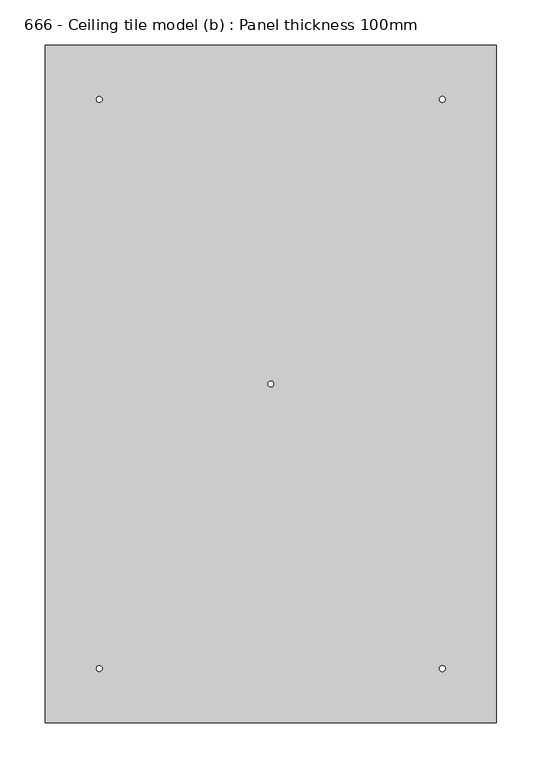
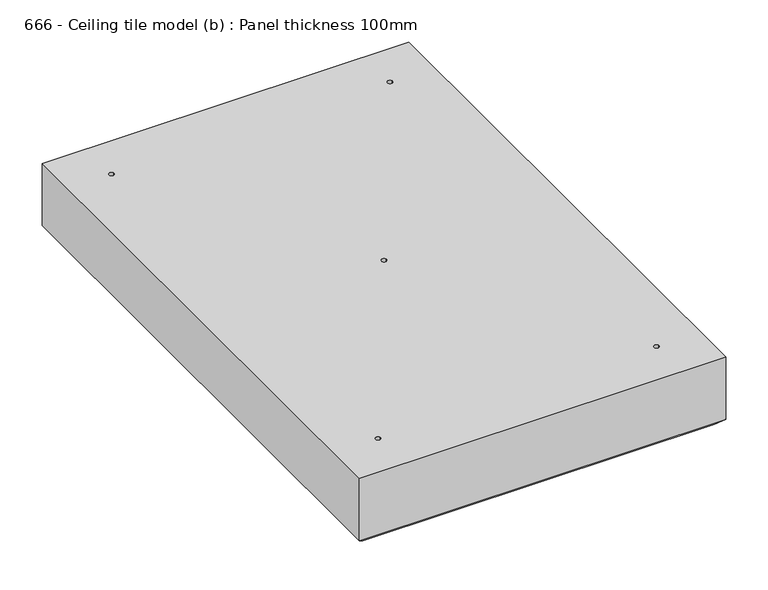
"""IFC4 building model written with IfcOpenShell, lengths in millimetres: proxy geometry, 666 - Ceiling tile model (b) : Panel thickness 100mm."""

from ifc_helpers import new_model, si_unit, frame, origin, origin_with_axes, place, context, project, spatial, polyline, circle_curve, source, transform, mapped, element, save
from ifc_brep_helpers import plane_surface, revolved_surface, advanced_brep


def proxy_666_ceiling_tile_model_b_panel_thickness_100mm_6272c992(model_context):
    return source(origin(), model_context, "Body", "AdvancedBrep", [
        advanced_brep(
        [(250.0, 375.0, 100.0), (-250.0, 375.0, 100.0), (-250.0, -375.0, 100.0), (250.0, -375.0, 100.0), (-186.75, -315.0, 100.0), (-193.25, -315.0, 100.0), (193.25, -315.0, 100.0), (186.75, -315.0, 100.0), (193.25, 315.0, 100.0), (186.75, 315.0, 100.0), (-186.75, 315.0, 100.0), (-193.25, 315.0, 100.0), (3.25, 0.0, 100.0), (-3.25, 0.0, 100.0), (240.0, -365.0, 0.0), (-240.0, -365.0, 0.0), (-240.0, 365.0, 0.0), (240.0, 365.0, 0.0), (-193.25, -315.0, 0.0), (-186.75, -315.0, 0.0), (186.75, -315.0, 0.0), (193.25, -315.0, 0.0), (186.75, 315.0, 0.0), (193.25, 315.0, 0.0), (-193.25, 315.0, 0.0), (-186.75, 315.0, 0.0), (-3.25, 0.0, 0.0), (3.25, 0.0, 0.0), (250.0, 375.0, 10.0), (-250.0, 375.0, 10.0), (-250.0, -375.0, 10.0), (250.0, -375.0, 10.0)],
        [
            (0, 1),
            (1, 2),
            (2, 3),
            (3, 0),
            (4, 5, circle_curve(frame((-190.0, -315.0, 100.0), z_axis=(0.0, 0.0, -1.0), x_axis=(1.0, 0.0, 0.0)), 3.25)),
            (5, 4, circle_curve(frame((-190.0, -315.0, 100.0), z_axis=(0.0, 0.0, -1.0), x_axis=(1.0, 0.0, 0.0)), 3.25)),
            (6, 7, circle_curve(frame((190.0, -315.0, 100.0), z_axis=(0.0, 0.0, -1.0), x_axis=(1.0, 0.0, 0.0)), 3.25)),
            (7, 6, circle_curve(frame((190.0, -315.0, 100.0), z_axis=(0.0, 0.0, -1.0), x_axis=(1.0, 0.0, 0.0)), 3.25)),
            (8, 9, circle_curve(frame((190.0, 315.0, 100.0), z_axis=(0.0, 0.0, -1.0), x_axis=(1.0, 0.0, 0.0)), 3.25)),
            (9, 8, circle_curve(frame((190.0, 315.0, 100.0), z_axis=(0.0, 0.0, -1.0), x_axis=(1.0, 0.0, 0.0)), 3.25)),
            (10, 11, circle_curve(frame((-190.0, 315.0, 100.0), z_axis=(0.0, 0.0, -1.0), x_axis=(1.0, 0.0, 0.0)), 3.25)),
            (11, 10, circle_curve(frame((-190.0, 315.0, 100.0), z_axis=(0.0, 0.0, -1.0), x_axis=(1.0, 0.0, 0.0)), 3.25)),
            (12, 13, circle_curve(frame((0.0, 0.0, 100.0), z_axis=(0.0, 0.0, -1.0), x_axis=(1.0, 0.0, 0.0)), 3.25)),
            (13, 12, circle_curve(frame((0.0, 0.0, 100.0), z_axis=(0.0, 0.0, -1.0), x_axis=(1.0, 0.0, 0.0)), 3.25)),
            (14, 15),
            (15, 16),
            (16, 17),
            (17, 14),
            (18, 19, circle_curve(frame((-190.0, -315.0, 0.0), z_axis=(0.0, 0.0, 1.0), x_axis=(1.0, 0.0, 0.0)), 3.25)),
            (19, 18, circle_curve(frame((-190.0, -315.0, 0.0), z_axis=(0.0, 0.0, 1.0), x_axis=(1.0, 0.0, 0.0)), 3.25)),
            (20, 21, circle_curve(frame((190.0, -315.0, 0.0), z_axis=(0.0, 0.0, 1.0), x_axis=(1.0, 0.0, 0.0)), 3.25)),
            (21, 20, circle_curve(frame((190.0, -315.0, 0.0), z_axis=(0.0, 0.0, 1.0), x_axis=(1.0, 0.0, 0.0)), 3.25)),
            (22, 23, circle_curve(frame((190.0, 315.0, 0.0), z_axis=(0.0, 0.0, 1.0), x_axis=(1.0, 0.0, 0.0)), 3.25)),
            (23, 22, circle_curve(frame((190.0, 315.0, 0.0), z_axis=(0.0, 0.0, 1.0), x_axis=(1.0, 0.0, 0.0)), 3.25)),
            (24, 25, circle_curve(frame((-190.0, 315.0, 0.0), z_axis=(0.0, 0.0, 1.0), x_axis=(1.0, 0.0, 0.0)), 3.25)),
            (25, 24, circle_curve(frame((-190.0, 315.0, 0.0), z_axis=(0.0, 0.0, 1.0), x_axis=(1.0, 0.0, 0.0)), 3.25)),
            (26, 27, circle_curve(origin_with_axes(), 3.25)),
            (27, 26, circle_curve(origin_with_axes(), 3.25)),
            (0, 28),
            (28, 29),
            (29, 1),
            (29, 30),
            (30, 2),
            (30, 31),
            (31, 3),
            (31, 28),
            (4, 19),
            (18, 5),
            (6, 21),
            (20, 7),
            (8, 23),
            (22, 9),
            (10, 25),
            (24, 11),
            (12, 27),
            (26, 13),
            (30, 15),
            (14, 31),
            (29, 16),
            (28, 17),
        ],
        [
            plane_surface(frame((-250.0, 375.0, 100.0), z_axis=(0.0, 0.0, 1.0), x_axis=(-1.0, 0.0, 0.0))),
            plane_surface(frame((-250.0, 375.0, 0.0), z_axis=(0.0, 0.0, -1.0), x_axis=(1.0, 0.0, 0.0))),
            plane_surface(frame((250.0, 375.0, 100.0), z_axis=(0.0, 1.0, 0.0), x_axis=(0.0, 0.0, -1.0))),
            plane_surface(frame((-250.0, 375.0, 100.0), z_axis=(-1.0, 0.0, 0.0), x_axis=(0.0, 0.0, -1.0))),
            plane_surface(frame((-250.0, -375.0, 100.0), z_axis=(0.0, -1.0, 0.0), x_axis=(0.0, 0.0, -1.0))),
            plane_surface(frame((250.0, -375.0, 100.0), z_axis=(1.0, 0.0, 0.0), x_axis=(0.0, 0.0, -1.0))),
            revolved_surface(polyline([(-186.75, -315.0, 100.0), (-186.75, -315.0, 0.0)]), (-190.0, -315.0, 0.0), (0.0, 0.0, 1.0)),
            revolved_surface(polyline([(193.25, -315.0, 100.0), (193.25, -315.0, 0.0)]), (190.0, -315.0, 0.0), (0.0, 0.0, 1.0)),
            revolved_surface(polyline([(193.25, 315.0, 100.0), (193.25, 315.0, 0.0)]), (190.0, 315.0, 0.0), (0.0, 0.0, 1.0)),
            revolved_surface(polyline([(-186.75, 315.0, 100.0), (-186.75, 315.0, 0.0)]), (-190.0, 315.0, 0.0), (0.0, 0.0, 1.0)),
            revolved_surface(polyline([(3.25, 0.0, 100.0), (3.25, 0.0, 0.0)]), (0.0, 0.0, 0.0), (0.0, 0.0, 1.0)),
            plane_surface(frame((240.0, -365.0, 0.0), z_axis=(0.0, -0.7071067811865464, -0.7071067811865488), x_axis=(-1.0, 0.0, 0.0))),
            plane_surface(frame((-240.0, -365.0, 0.0), z_axis=(-0.7071067811865464, 0.0, -0.7071067811865488), x_axis=(0.0, 1.0, 0.0))),
            plane_surface(frame((-240.0, 365.0, 0.0), z_axis=(0.0, 0.7071067811865464, -0.7071067811865488), x_axis=(1.0, 0.0, 0.0))),
            plane_surface(frame((240.0, 365.0, 0.0), z_axis=(0.7071067811865464, 0.0, -0.7071067811865488), x_axis=(0.0, -1.0, 0.0))),
        ],
        [
            (0, [[1, 2, 3, 4], [5, 6], [7, 8], [9, 10], [11, 12], [13, 14]]),
            (1, [[15, 16, 17, 18], [19, 20], [21, 22], [23, 24], [25, 26], [27, 28]]),
            (2, [[-1, 29, 30, 31]]),
            (3, [[-2, -31, 32, 33]]),
            (4, [[-3, -33, 34, 35]]),
            (5, [[-4, -35, 36, -29]]),
            (6, [[37, -19, 38, -5]]),
            (6, [[-37, -6, -38, -20]]),
            (7, [[39, -21, 40, -7]]),
            (7, [[-39, -8, -40, -22]]),
            (8, [[41, -23, 42, -9]]),
            (8, [[-41, -10, -42, -24]]),
            (9, [[43, -25, 44, -11]]),
            (9, [[-43, -12, -44, -26]]),
            (10, [[45, -27, 46, -13]]),
            (10, [[-45, -14, -46, -28]]),
            (11, [[47, -15, 48, -34]]),
            (12, [[-47, -32, 49, -16]]),
            (13, [[-49, -30, 50, -17]]),
            (14, [[-48, -18, -50, -36]]),
        ],
    ),
    ])


if __name__ == "__main__":
    model = new_model("IFC4")
    model_context = context("Model", 3, world=origin())
    ifc_project = project(units=[si_unit("LENGTHUNIT", "METRE", prefix="MILLI")], contexts=[model_context])
    site = spatial("IfcSite", under=ifc_project)
    building = spatial("IfcBuilding", under=site)
    placement = place(None, origin())
    proxy_666_ceiling_tile_model_b_panel_thickness_100mm_shape = proxy_666_ceiling_tile_model_b_panel_thickness_100mm_6272c992(model_context)
    element("IfcBuildingElementProxy", 1, Name="666 - Ceiling tile model (b) : Panel thickness 100mm", ObjectType="666 - Ceiling tile model (b) : Panel thickness 100mm", at=placement, inside=building, context=model_context, shape_type="MappedRepresentation", body=[
        mapped(proxy_666_ceiling_tile_model_b_panel_thickness_100mm_shape, transform((0.0, 0.0, 0.0), x_axis=(1.0, 0.0, 0.0), y_axis=(0.0, 1.0, 0.0), z_axis=(0.0, 0.0, 1.0))),
    ])
    save(model, "model.ifc")
